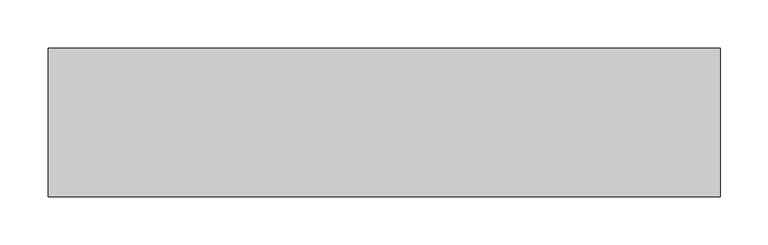
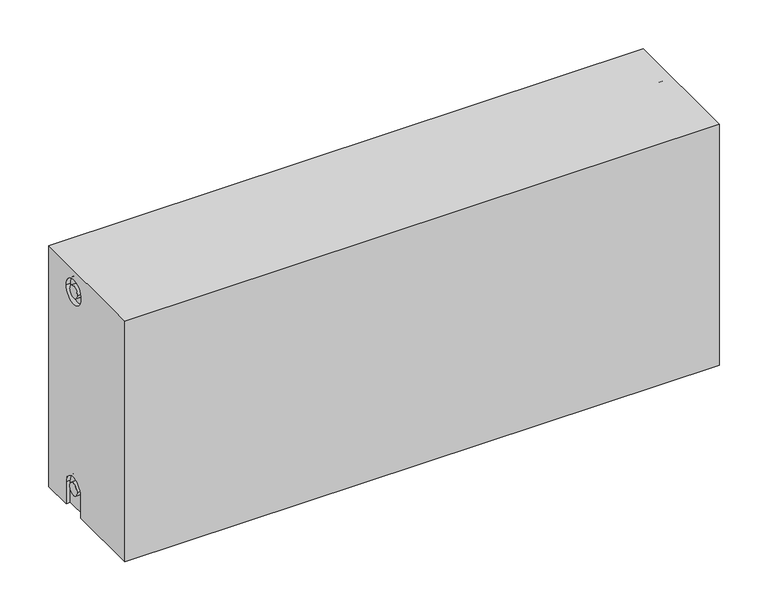
"""IFC4 building model written with IfcOpenShell, lengths in millimetres: proxy geometry."""

from ifc_helpers import new_model, si_unit, frame, origin, place, context, project, spatial, polyline, circle_curve, source, transform, mapped, element, save
from ifc_brep_helpers import plane_surface, cylinder_surface, revolved_surface, advanced_brep


def mechanical_equipment_fe2dcbae(model_context):
    return source(origin(), model_context, "Body", "AdvancedBrep", [
        advanced_brep(
        [(700.0, 77.5, 300.0), (700.0, 77.5, 0.0), (0.0, 77.5, 0.0), (0.0, 77.5, 300.0), (700.0, -77.5, 300.0), (0.0, -77.5, 300.0), (0.0, -77.5, 0.0), (700.0, -77.5, 0.0), (700.0, 12.5, 0.0), (700.0, 12.5, 27.0), (700.0, 42.5, 27.0), (700.0, 42.5, 0.0), (700.0, 42.2242393, 273.0), (700.0, 12.2242393, 273.0), (700.0, 34.7242393, 273.0), (700.0, 19.7242393, 273.0), (700.0, 20.0, 27.0), (700.0, 35.0, 27.0), (695.0, 42.5, 0.0), (695.0, 12.5, 0.0), (0.0, 12.5, 0.0), (5.0, 12.5, 0.0), (5.0, 42.5, 0.0), (0.0, 42.5, 0.0), (0.0, 42.5, 27.0), (0.0, 12.5, 27.0), (0.0, 12.2242393, 273.0), (0.0, 42.2242393, 273.0), (0.0, 19.7242393, 273.0), (0.0, 34.7242393, 273.0), (0.0, 35.0682726, 27.0), (0.0, 20.0682726, 27.0), (5.0, 12.2242393, 273.0), (5.0, 42.2242393, 273.0), (5.0, 19.7242393, 273.0), (5.0, 34.7242393, 273.0), (5.0, 12.5, 27.0), (5.0, 42.5, 27.0), (5.0, 20.0682726, 27.0), (5.0, 35.0682726, 27.0), (695.0, 12.2242393, 273.0), (695.0, 42.2242393, 273.0), (695.0, 19.7242393, 273.0), (695.0, 34.7242393, 273.0), (695.0, 42.5, 27.0), (695.0, 12.5, 27.0), (695.0, 20.0, 27.0), (695.0, 35.0, 27.0)],
        [
            (0, 1),
            (1, 2),
            (2, 3),
            (3, 0),
            (4, 5),
            (5, 6),
            (6, 7),
            (7, 4),
            (0, 4),
            (7, 8),
            (8, 9),
            (9, 10, circle_curve(frame((700.0, 27.5, 27.0), z_axis=(-1.0, 0.0, 0.0), x_axis=(0.0, 1.0, 0.0)), 15.0)),
            (10, 11),
            (11, 1),
            (12, 13, circle_curve(frame((700.0, 27.2242393, 273.0), z_axis=(-1.0, 0.0, 0.0), x_axis=(0.0, 1.0, 0.0)), 15.0)),
            (13, 12, circle_curve(frame((700.0, 27.2242393, 273.0), z_axis=(-1.0, 0.0, 0.0), x_axis=(0.0, 1.0, 0.0)), 15.0)),
            (14, 15, circle_curve(frame((700.0, 27.2242393, 273.0), z_axis=(1.0, 0.0, 0.0), x_axis=(0.0, 1.0, 0.0)), 7.5)),
            (15, 14, circle_curve(frame((700.0, 27.2242393, 273.0), z_axis=(1.0, 0.0, 0.0), x_axis=(0.0, 1.0, 0.0)), 7.5)),
            (16, 17, circle_curve(frame((700.0, 27.5, 27.0), z_axis=(1.0, 0.0, 0.0), x_axis=(0.0, 1.0, 0.0)), 7.5)),
            (17, 16, circle_curve(frame((700.0, 27.5, 27.0), z_axis=(1.0, 0.0, 0.0), x_axis=(0.0, 1.0, 0.0)), 7.5)),
            (11, 18),
            (18, 19),
            (19, 8),
            (6, 20),
            (20, 21),
            (21, 22),
            (22, 23),
            (23, 2),
            (23, 24),
            (24, 25, circle_curve(frame((0.0, 27.5, 27.0), z_axis=(1.0, 0.0, 0.0), x_axis=(0.0, 1.0, 0.0)), 15.0)),
            (25, 20),
            (5, 3),
            (26, 27, circle_curve(frame((0.0, 27.2242393, 273.0), z_axis=(1.0, 0.0, 0.0), x_axis=(0.0, 1.0, 0.0)), 15.0)),
            (27, 26, circle_curve(frame((0.0, 27.2242393, 273.0), z_axis=(1.0, 0.0, 0.0), x_axis=(0.0, 1.0, 0.0)), 15.0)),
            (28, 29, circle_curve(frame((0.0, 27.2242393, 273.0), z_axis=(-1.0, 0.0, 0.0), x_axis=(0.0, 1.0, 0.0)), 7.5)),
            (29, 28, circle_curve(frame((0.0, 27.2242393, 273.0), z_axis=(-1.0, 0.0, 0.0), x_axis=(0.0, 1.0, 0.0)), 7.5)),
            (30, 31, circle_curve(frame((0.0, 27.5682726, 27.0), z_axis=(-1.0, 0.0, 0.0), x_axis=(0.0, 1.0, 0.0)), 7.5)),
            (31, 30, circle_curve(frame((0.0, 27.5682726, 27.0), z_axis=(-1.0, 0.0, 0.0), x_axis=(0.0, 1.0, 0.0)), 7.5)),
            (32, 33, circle_curve(frame((5.0, 27.2242393, 273.0), z_axis=(-1.0, 0.0, 0.0), x_axis=(0.0, 1.0, 0.0)), 15.0)),
            (33, 32, circle_curve(frame((5.0, 27.2242393, 273.0), z_axis=(-1.0, 0.0, 0.0), x_axis=(0.0, 1.0, 0.0)), 15.0)),
            (34, 35, circle_curve(frame((5.0, 27.2242393, 273.0), z_axis=(1.0, 0.0, 0.0), x_axis=(0.0, 1.0, 0.0)), 7.5)),
            (35, 34, circle_curve(frame((5.0, 27.2242393, 273.0), z_axis=(1.0, 0.0, 0.0), x_axis=(0.0, 1.0, 0.0)), 7.5)),
            (33, 27),
            (26, 32),
            (35, 29),
            (28, 34),
            (21, 36),
            (36, 37, circle_curve(frame((5.0, 27.5, 27.0), z_axis=(-1.0, 0.0, 0.0), x_axis=(0.0, 1.0, 0.0)), 15.0)),
            (37, 22),
            (38, 39, circle_curve(frame((5.0, 27.5682726, 27.0), z_axis=(1.0, 0.0, 0.0), x_axis=(0.0, 1.0, 0.0)), 7.5)),
            (39, 38, circle_curve(frame((5.0, 27.5682726, 27.0), z_axis=(1.0, 0.0, 0.0), x_axis=(0.0, 1.0, 0.0)), 7.5)),
            (38, 31),
            (30, 39),
            (37, 24),
            (36, 25),
            (40, 41, circle_curve(frame((695.0, 27.2242393, 273.0), z_axis=(1.0, 0.0, 0.0), x_axis=(0.0, 1.0, 0.0)), 15.0)),
            (41, 40, circle_curve(frame((695.0, 27.2242393, 273.0), z_axis=(1.0, 0.0, 0.0), x_axis=(0.0, 1.0, 0.0)), 15.0)),
            (42, 43, circle_curve(frame((695.0, 27.2242393, 273.0), z_axis=(-1.0, 0.0, 0.0), x_axis=(0.0, 1.0, 0.0)), 7.5)),
            (43, 42, circle_curve(frame((695.0, 27.2242393, 273.0), z_axis=(-1.0, 0.0, 0.0), x_axis=(0.0, 1.0, 0.0)), 7.5)),
            (40, 13),
            (12, 41),
            (42, 15),
            (14, 43),
            (18, 44),
            (44, 45, circle_curve(frame((695.0, 27.5, 27.0), z_axis=(1.0, 0.0, 0.0), x_axis=(0.0, 1.0, 0.0)), 15.0)),
            (45, 19),
            (46, 47, circle_curve(frame((695.0, 27.5, 27.0), z_axis=(-1.0, 0.0, 0.0), x_axis=(0.0, 1.0, 0.0)), 7.5)),
            (47, 46, circle_curve(frame((695.0, 27.5, 27.0), z_axis=(-1.0, 0.0, 0.0), x_axis=(0.0, 1.0, 0.0)), 7.5)),
            (47, 17),
            (16, 46),
            (10, 44),
            (9, 45),
        ],
        [
            plane_surface(frame((700.0, 77.5, 300.0), z_axis=(0.0, 1.0, 0.0), x_axis=(0.0, 0.0, -1.0))),
            plane_surface(frame((700.0, -77.5, 300.0), z_axis=(0.0, -1.0, 0.0), x_axis=(0.0, 0.0, 1.0))),
            plane_surface(frame((700.0, 77.5, 300.0), z_axis=(1.0, 0.0, 0.0), x_axis=(0.0, -1.0, 0.0))),
            plane_surface(frame((700.0, 77.5, 0.0), z_axis=(0.0, 0.0, -1.0), x_axis=(0.0, -1.0, 0.0))),
            plane_surface(frame((0.0, 77.5, 0.0), z_axis=(-1.0, 0.0, 0.0), x_axis=(0.0, -1.0, 0.0))),
            plane_surface(frame((0.0, 77.5, 300.0), z_axis=(0.0, 0.0, 1.0), x_axis=(0.0, -1.0, 0.0))),
            plane_surface(frame((5.0, 42.2242393, 273.0), z_axis=(-1.0, 0.0, 0.0), x_axis=(0.0, 0.0, 1.0))),
            revolved_surface(polyline([(5.0, 42.2242393, 273.0), (0.0, 42.2242393, 273.0)]), (0.0, 27.2242393, 273.0), (1.0, 0.0, 0.0)),
            cylinder_surface(frame((0.0, 27.2242393, 273.0), z_axis=(-1.0, 0.0, 0.0), x_axis=(0.0, 1.0, 0.0)), 7.5),
            plane_surface(frame((5.0, 35.0682726, 27.0), z_axis=(-1.0, 0.0, 0.0), x_axis=(0.0, 0.0, -1.0))),
            cylinder_surface(frame((0.0, 27.5682726, 27.0), z_axis=(-1.0, 0.0, 0.0), x_axis=(0.0, 1.0, 0.0)), 7.5),
            plane_surface(frame((5.0, 42.5, 0.0), z_axis=(0.0, -1.0, 0.0), x_axis=(-1.0, 0.0, 0.0))),
            revolved_surface(polyline([(5.0, 42.5, 27.0), (0.0, 42.5, 27.0)]), (0.0, 27.5, 27.0), (1.0, 0.0, 0.0)),
            plane_surface(frame((5.0, 12.5, 27.0), z_axis=(0.0, 1.0, 0.0), x_axis=(-1.0, 0.0, 0.0))),
            plane_surface(frame((695.0, 42.2242393, 273.0), z_axis=(1.0, 0.0, 0.0), x_axis=(0.0, 0.0, -1.0))),
            revolved_surface(polyline([(700.0, 42.2242393, 273.0), (695.0, 42.2242393, 273.0)]), (695.0, 27.2242393, 273.0), (1.0, 0.0, 0.0)),
            cylinder_surface(frame((1395.0, 27.2242393, 273.0), z_axis=(-1.0, 0.0, 0.0), x_axis=(0.0, 1.0, 0.0)), 7.5),
            plane_surface(frame((695.0, 35.0, 27.0), z_axis=(1.0, 0.0, 0.0), x_axis=(0.0, 0.0, 1.0))),
            cylinder_surface(frame((695.0, 27.5, 27.0), z_axis=(-1.0, 0.0, 0.0), x_axis=(0.0, 1.0, 0.0)), 7.5),
            plane_surface(frame((700.0, 42.5, 0.0), z_axis=(0.0, -1.0, 0.0), x_axis=(-1.0, 0.0, 0.0))),
            revolved_surface(polyline([(700.0, 42.5, 27.0), (695.0, 42.5, 27.0)]), (1395.0, 27.5, 27.0), (1.0, 0.0, 0.0)),
            plane_surface(frame((700.0, 12.5, 27.0), z_axis=(0.0, 1.0, 0.0), x_axis=(-1.0, 0.0, 0.0))),
        ],
        [
            (0, [[1, 2, 3, 4]]),
            (1, [[5, 6, 7, 8]]),
            (2, [[-1, 9, -8, 10, 11, 12, 13, 14], [15, 16]]),
            (2, [[17, 18]]),
            (2, [[19, 20]]),
            (3, [[-2, -14, 21, 22, 23, -10, -7, 24, 25, 26, 27, 28]]),
            (4, [[-3, -28, 29, 30, 31, -24, -6, 32], [33, 34]]),
            (4, [[35, 36]]),
            (4, [[37, 38]]),
            (5, [[-4, -32, -5, -9]]),
            (6, [[39, 40], [41, 42]]),
            (7, [[-40, 43, -33, 44]]),
            (7, [[-39, -44, -34, -43]]),
            (8, [[-42, 45, -35, 46]]),
            (8, [[-41, -46, -36, -45]]),
            (9, [[47, 48, 49, -26], [50, 51]]),
            (10, [[-50, 52, -37, 53]]),
            (10, [[-51, -53, -38, -52]]),
            (11, [[-49, 54, -29, -27]]),
            (12, [[-48, 55, -30, -54]]),
            (13, [[-47, -25, -31, -55]]),
            (14, [[56, 57], [58, 59]]),
            (15, [[-56, 60, -15, 61]]),
            (15, [[-57, -61, -16, -60]]),
            (16, [[-58, 62, -17, 63]]),
            (16, [[-59, -63, -18, -62]]),
            (17, [[64, 65, 66, -22], [67, 68]]),
            (18, [[-68, 69, -19, 70]]),
            (18, [[-67, -70, -20, -69]]),
            (19, [[-64, -21, -13, 71]]),
            (20, [[-65, -71, -12, 72]]),
            (21, [[-66, -72, -11, -23]]),
        ],
    ),
    ])


if __name__ == "__main__":
    model = new_model("IFC4")
    model_context = context("Model", 3, world=origin())
    ifc_project = project(units=[si_unit("LENGTHUNIT", "METRE", prefix="MILLI")], contexts=[model_context])
    site = spatial("IfcSite", under=ifc_project)
    building = spatial("IfcBuilding", under=site)
    placement = place(None, origin())
    mechanical_equipment_shape = mechanical_equipment_fe2dcbae(model_context)
    element("IfcBuildingElementProxy", 1, Name="Mechanical Equipment", at=placement, inside=building, context=model_context, shape_type="MappedRepresentation", body=[
        mapped(mechanical_equipment_shape, transform((0.0, 0.0, 0.0), x_axis=(1.0, 0.0, 0.0), y_axis=(0.0, 1.0, 0.0), z_axis=(0.0, 0.0, 1.0))),
    ])
    save(model, "model.ifc")
